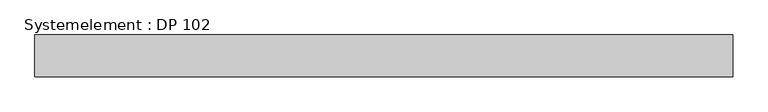
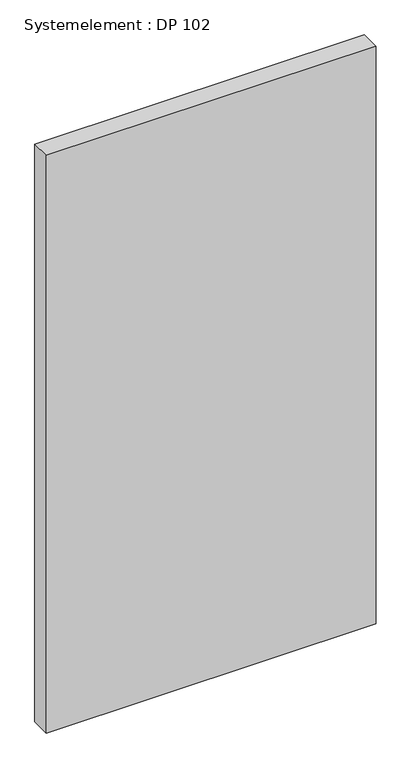
"""IFC4 building model written with IfcOpenShell, lengths in millimetres: plate geometry, Systemelement : DP 102."""

from ifc_helpers import new_model, si_unit, origin, origin_with_axes, place, context, project, spatial, polyline, outline, extrude, source, transform, mapped, element, save


def systemelement_dp_102_7816e761(model_context):
    return source(origin(), model_context, "Body", "SweptSolid", [
        extrude(outline(polyline([(500.0, -60.0), (-500.0, -60.0), (-500.0, 0.0), (500.0, 0.0), (500.0, -60.0)])), origin_with_axes(), (0.0, 0.0, 1.0), 1851.6147161),
    ])


if __name__ == "__main__":
    model = new_model("IFC4")
    model_context = context("Model", 3, world=origin())
    ifc_project = project(units=[si_unit("LENGTHUNIT", "METRE", prefix="MILLI")], contexts=[model_context])
    site = spatial("IfcSite", under=ifc_project)
    building = spatial("IfcBuilding", under=site)
    placement = place(None, origin())
    systemelement_dp_102_shape = systemelement_dp_102_7816e761(model_context)
    element("IfcPlate", 1, ObjectType="Systemelement : DP 102", at=placement, inside=building, context=model_context, shape_type="MappedRepresentation", body=[
        mapped(systemelement_dp_102_shape, transform((0.0, 0.0, 0.0), x_axis=(1.0, 0.0, 0.0), y_axis=(0.0, 1.0, 0.0), z_axis=(0.0, 0.0, 1.0))),
    ])
    save(model, "model.ifc")
